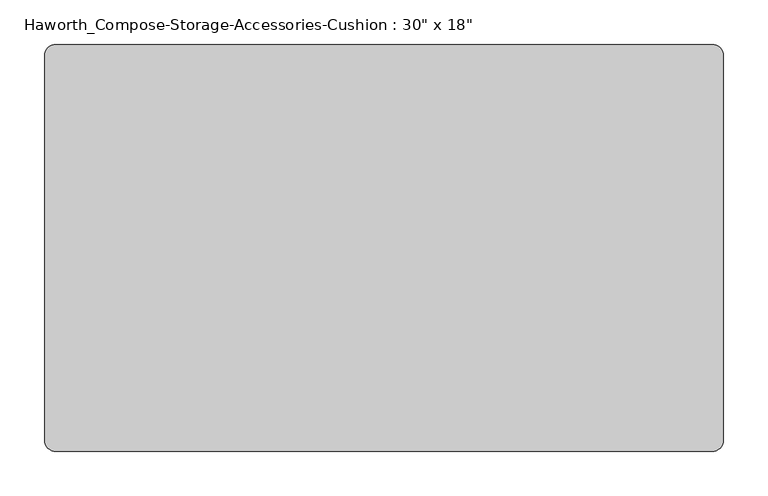
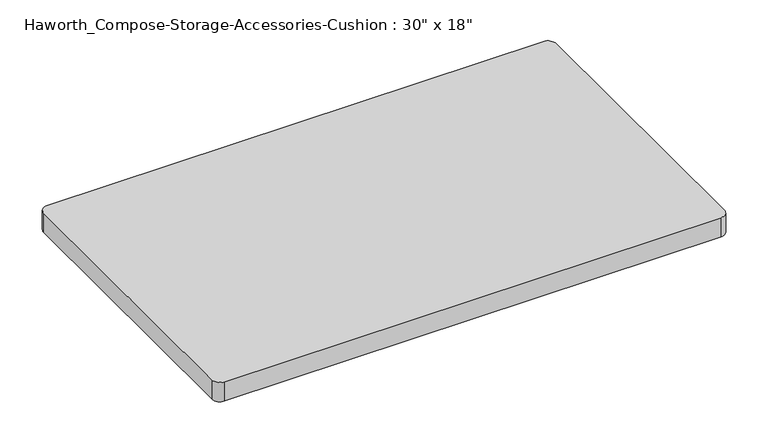
"""IFC4 building model written with IfcOpenShell, lengths in millimetres: furniture geometry."""

from ifc_helpers import new_model, si_unit, point, frame, frame_2d, origin, place, context, project, spatial, polyline, circle_curve, trimmed, segment, composite_curve, outline, extrude, source, transform, mapped, element, save


def furniture_e284cdb1(model_context):
    return source(origin(), model_context, "Body", "SweptSolid", [
        extrude(outline(composite_curve([segment(polyline([(368.3, -228.6), (-368.3, -228.6)]), True, "CONTINUOUS"), segment(trimmed(circle_curve(frame_2d((-368.3, -215.9)), 12.7), [point((-368.3, -228.6))], [point((-381.0, -215.9))], False, "CARTESIAN"), True, "CONTINUOUS"), segment(polyline([(-381.0, -215.9), (-381.0, 215.9)]), True, "CONTINUOUS"), segment(trimmed(circle_curve(frame_2d((-368.3, 215.9)), 12.7), [point((-381.0, 215.9))], [point((-368.3, 228.6))], False, "CARTESIAN"), True, "CONTINUOUS"), segment(polyline([(-368.3, 228.6), (368.3, 228.6)]), True, "CONTINUOUS"), segment(trimmed(circle_curve(frame_2d((368.3, 215.9)), 12.7), [point((368.3, 228.6))], [point((381.0, 215.9))], False, "CARTESIAN"), True, "CONTINUOUS"), segment(polyline([(381.0, 215.9), (381.0, -215.9)]), True, "CONTINUOUS"), segment(trimmed(circle_curve(frame_2d((368.3, -215.9)), 12.7), [point((381.0, -215.9))], [point((368.3, -228.6))], False, "CARTESIAN"), True, "CONTINUOUS")], self_intersect=False)), frame((0.0, 0.0, 609.6), z_axis=(0.0, 0.0, 1.0), x_axis=(1.0, 0.0, 0.0)), (0.0, 0.0, 1.0), 30.1625),
    ])


if __name__ == "__main__":
    model = new_model("IFC4")
    model_context = context("Model", 3, world=origin())
    ifc_project = project(units=[si_unit("LENGTHUNIT", "METRE", prefix="MILLI")], contexts=[model_context])
    site = spatial("IfcSite", under=ifc_project)
    building = spatial("IfcBuilding", under=site)
    placement = place(None, origin())
    furniture_shape = furniture_e284cdb1(model_context)
    element("IfcFurniture", 1, ObjectType="Haworth_Compose-Storage-Accessories-Cushion : 30\" x 18\"", at=placement, inside=building, context=model_context, shape_type="MappedRepresentation", body=[
        mapped(furniture_shape, transform((0.0, 0.0, 0.0), x_axis=(1.0, 0.0, 0.0), y_axis=(0.0, 1.0, 0.0), z_axis=(0.0, 0.0, 1.0))),
    ])
    save(model, "model.ifc")
